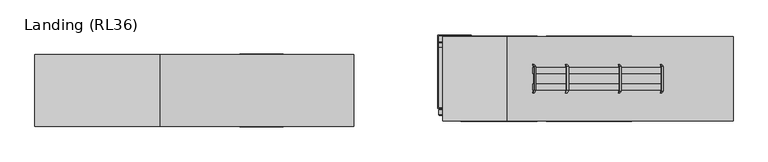
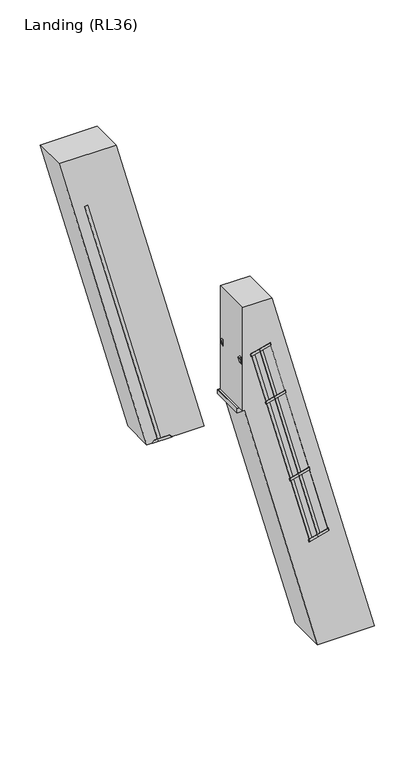
"""IFC4 building model written with IfcOpenShell, lengths in millimetres: proxy geometry, Landing (RL36)."""

from ifc_helpers import new_model, si_unit, point, frame, frame_2d, origin, place, context, project, spatial, polyline, circle_curve, trimmed, segment, composite_curve, outline, extrude, faceted_brep, source, transform, mapped, element, save


def landing_rl36_09e8c49e(model_context):
    return source(origin(), model_context, "Body", "SolidModel", [
        extrude(outline(composite_curve([segment(polyline([(5406.8549495, -1334.7894808), (5423.2756886, -1339.1894046)]), True, "CONTINUOUS"), segment(trimmed(circle_curve(frame_2d((5404.9230876, -1357.565554)), 25.9711538), [point((5423.2756886, -1339.1894046))], [point((5411.6288315, -1382.6560668))], False, "CARTESIAN"), True, "CONTINUOUS"), segment(polyline([(5411.6288315, -1382.6560668), (5395.2080925, -1378.256143), (5406.8549495, -1334.7894808)]), True, "CONTINUOUS")], self_intersect=False)), frame((0.0, -654.5, 0.0), z_axis=(0.0, 1.0, 0.0), x_axis=(0.0, 0.0, 1.0)), (0.0, 0.0, 1.0), 524.0),
        extrude(outline(composite_curve([segment(polyline([(8976.8456537, -2291.365607), (8993.2663928, -2295.7655308)]), True, "CONTINUOUS"), segment(trimmed(circle_curve(frame_2d((8974.9137918, -2314.1416802)), 25.9711538), [point((8993.2663928, -2295.7655308))], [point((8981.6195357, -2339.232193))], False, "CARTESIAN"), True, "CONTINUOUS"), segment(polyline([(8981.6195357, -2339.232193), (8965.1987967, -2334.8322692), (8976.8456537, -2291.365607)]), True, "CONTINUOUS")], self_intersect=False)), frame((0.0, -654.5, 0.0), z_axis=(0.0, 1.0, 0.0), x_axis=(0.0, 0.0, 1.0)), (0.0, 0.0, 1.0), 524.0),
        extrude(outline(composite_curve([segment(polyline([(5132.24028, -1261.2067019), (5148.661019, -1265.6066257)]), True, "CONTINUOUS"), segment(trimmed(circle_curve(frame_2d((5130.308418, -1283.9827751)), 25.9711538), [point((5148.661019, -1265.6066257))], [point((5137.014162, -1309.0732879))], False, "CARTESIAN"), True, "CONTINUOUS"), segment(polyline([(5137.014162, -1309.0732879), (5120.5934229, -1304.6733641), (5132.24028, -1261.2067019)]), True, "CONTINUOUS")], self_intersect=False)), frame((0.0, -654.5, 0.0), z_axis=(0.0, 1.0, 0.0), x_axis=(0.0, 0.0, 1.0)), (0.0, 0.0, 1.0), 524.0),
        extrude(outline(polyline([(-38.0, 0.0), (0.0, 0.0), (0.0, -58.0), (-38.0, -58.0), (-38.0, 0.0)])), frame((-1223.8698986, -130.5, 5018.0115046), z_axis=(-0.25881904510250986, 0.0, 0.9659258262890712), x_axis=(0.0, -1.0, 0.0)), (0.0, 0.0, 1.0), 5180.2283665),
        extrude(outline(polyline([(-38.0, 0.0), (0.0, 0.0), (0.0, -58.0), (-38.0, -58.0), (-38.0, 0.0)])), frame((-1223.8698986, -692.5, 5018.0115046), z_axis=(-0.25881904510250986, 0.0, 0.9659258262890712), x_axis=(0.0, -1.0, 0.0)), (0.0, 0.0, 1.0), 5180.2283665),
        faceted_brep([(-1029.0667397, -696.0, 5000.0), (-1029.0667397, -643.0, 5000.0), (-1029.0667397, -643.0, 5003.0), (-1029.0667397, -693.0, 5003.0), (-1029.0667397, -696.0, 5003.0), (-1389.0667397, -693.0, 5003.0), (-1389.0667397, -643.0, 5003.0), (-1389.0667397, -643.0, 5000.0), (-1389.0667397, -696.0, 5000.0), (-1389.0667397, -696.0, 5003.0), (-1076.0667397, -693.0, 5050.0), (-1342.0667397, -693.0, 5050.0), (-1342.0667397, -696.0, 5050.0), (-1076.0667397, -696.0, 5050.0)], [[[0, 1, 2, 3, 4]], [[5, 6, 7, 8, 9]], [[10, 11, 12, 13]], [[8, 0, 4, 13, 12, 9]], [[1, 0, 8, 7]], [[2, 1, 7, 6]], [[3, 2, 6, 5]], [[3, 5, 11, 10]], [[5, 9, 12, 11]], [[4, 3, 10, 13]]]),
        faceted_brep([(-1029.0667397, -92.0, 5003.0), (-1029.0667397, -142.0, 5003.0), (-1029.0667397, -142.0, 5000.0), (-1029.0667397, -89.0, 5000.0), (-1029.0667397, -89.0, 5003.0), (-1389.0667397, -89.0, 5000.0), (-1389.0667397, -142.0, 5000.0), (-1389.0667397, -142.0, 5003.0), (-1389.0667397, -92.0, 5003.0), (-1389.0667397, -89.0, 5003.0), (-1342.0667397, -89.0, 5050.0), (-1076.0667397, -89.0, 5050.0), (-1342.0667397, -92.0, 5050.0), (-1076.0667397, -92.0, 5050.0)], [[[0, 1, 2, 3, 4]], [[5, 6, 7, 8, 9]], [[1, 0, 8, 7]], [[2, 1, 7, 6]], [[3, 2, 6, 5]], [[3, 5, 9, 10, 11, 4]], [[11, 10, 12, 13]], [[8, 0, 13, 12]], [[9, 8, 12, 10]], [[0, 4, 11, 13]]]),
        extrude(outline(polyline([(0.0, 0.0), (50.0000001, 0.0), (50.0000001, -12.0), (0.0, -12.0), (0.0, 0.0)])), frame((1723.2241422, -643.5, 2104.1512779), z_axis=(-0.2588190451025228, 0.0, 0.9659258262890679), x_axis=(-0.9659258262890679, 0.0, -0.2588190451025228)), (0.0, 0.0, 1.0), 4147.1822742),
        extrude(outline(polyline([(155.141329, 0.0), (205.141329, 0.0), (205.141329, -12.0), (155.141329, -12.0), (155.141329, 0.0)])), frame((1723.2241422, -643.5, 2104.1512779), z_axis=(-0.2588190451025228, 0.0, 0.9659258262890679), x_axis=(-0.9659258262890679, 0.0, -0.2588190451025228)), (0.0, 0.0, 1.0), 4147.1822742),
        extrude(outline(polyline([(-689.6938017, 0.0), (-508.9999999, 0.0), (-326.6307118, -82.9303487), (-125.331423, -385.8857785), (-123.1191169, -480.465669), (-65.9701383, -566.4748818), (-70.9675427, -569.7954163), (-129.0768962, -482.3408393), (-131.2892023, -387.7609487), (-330.6777006, -87.6812588), (-510.3001578, -6.0), (-687.8821736, -6.0), (-851.4445075, -114.6792916), (-920.2481735, -278.3907082), (-914.5411146, -475.6303711), (-715.1526163, -775.7100611), (-628.8173361, -814.3942878), (-570.7079827, -901.8488647), (-575.7053871, -905.1693992), (-632.8543656, -819.1601865), (-719.1896458, -780.4759598), (-920.4889347, -477.52053), (-926.2832673, -277.2646295), (-856.2739484, -110.6844829), (-689.6938017, 0.0)])), frame((1412.9810883, -967.4464732, 3417.1861835), z_axis=(-0.25881904510252274, 0.0, 0.9659258262890678), x_axis=(-0.5345650026725318, -0.8329007332923322, -0.14323626076804516)), (0.0, 0.0, 1.0), 50.0),
        extrude(outline(polyline([(-689.6938017, 0.0), (-509.0, 1e-07), (-326.6307118, -82.9303487), (-125.331423, -385.8857784), (-123.1191169, -480.465669), (-65.9701383, -566.4748818), (-70.9675427, -569.7954163), (-129.0768962, -482.3408392), (-131.2892023, -387.7609487), (-330.6777006, -87.6812587), (-510.3001578, -6.0), (-687.8821737, -5.9999999), (-851.4445076, -114.6792916), (-920.2481735, -278.3907081), (-914.5411146, -475.630371), (-715.1526164, -775.710061), (-628.8173362, -814.3942877), (-570.7079827, -901.8488647), (-575.7053871, -905.1693992), (-632.8543657, -819.1601864), (-719.1896459, -780.4759597), (-920.4889347, -477.52053), (-926.2832674, -277.2646294), (-856.2739484, -110.6844828), (-689.6938017, 0.0)])), frame((973.3533521, -967.4464732, 5057.8992312), z_axis=(-0.25881904510252285, 0.0, 0.9659258262890679), x_axis=(-0.5345650026725322, -0.832900733292332, -0.14323626076804527)), (0.0, 0.0, 1.0), 50.0),
        extrude(outline(polyline([(273.0, 0.0), (423.5, -100.0), (529.5, -270.0), (529.5, -633.7353379), (479.0, -713.735338), (479.0, -817.0), (473.0, -817.0), (473.0, -712.0), (523.5, -632.0), (523.5, -271.7173421), (419.0965631, -104.2778679), (271.1883719, -6.0), (74.8116281, -6.0), (-73.0965631, -104.2778679), (-177.5, -271.7173421), (-177.5, -632.0), (-127.0, -712.0), (-127.0, -817.0), (-133.0, -817.0), (-133.0, -713.735338), (-183.5, -633.7353379), (-183.5, -270.0), (-77.5, -100.0), (73.0, 0.0), (273.0, 0.0)])), frame((2130.7083276, -120.0, 2213.3363363), z_axis=(-0.2588190451025228, 0.0, 0.9659258262890679), x_axis=(0.0, -1.0, 0.0)), (0.0, 0.0, 1.0), 50.0),
        extrude(outline(polyline([(-6.613021, 0.0), (5.3869789, 0.0), (5.3869789, -50.0), (-6.613021, -50.0), (-6.613021, 0.0)])), frame((2118.5250848, -386.1883719, 2210.0718462), z_axis=(-0.2588190451025228, 0.0, 0.9659258262890679), x_axis=(-0.9659258262890679, 0.0, -0.2588190451025228)), (0.0, 0.0, 1.0), 4147.1822742),
        extrude(outline(polyline([(218.7828094, 218.028353), (212.433594, 228.2110571), (254.8615278, 254.6661216), (261.2107432, 244.4834176), (218.7828094, 218.028353)])), frame((2118.5250848, -386.1883719, 2210.0718462), z_axis=(-0.2588190451025228, 0.0, 0.9659258262890679), x_axis=(-0.9659258262890679, 0.0, -0.2588190451025228)), (0.0, 0.0, 1.0), 4147.1822742),
        extrude(outline(polyline([(61.2266141, 107.0986509), (88.8977348, 148.7436876), (98.8925436, 142.1026186), (71.2214229, 100.4575819), (61.2266141, 107.0986509)])), frame((2118.5250848, -386.1883719, 2210.0718462), z_axis=(-0.2588190451025228, 0.0, 0.9659258262890679), x_axis=(-0.9659258262890679, 0.0, -0.2588190451025228)), (0.0, 0.0, 1.0), 4147.1822742),
        extrude(outline(polyline([(-6.613021, -186.3767438), (-6.613021, -136.3767438), (5.3869789, -136.3767438), (5.3869789, -186.3767438), (-6.613021, -186.3767438)])), frame((2118.5250848, -386.1883719, 2210.0718462), z_axis=(-0.2588190451025228, 0.0, 0.9659258262890679), x_axis=(-0.9659258262890679, 0.0, -0.2588190451025228)), (0.0, 0.0, 1.0), 4147.1822742),
        extrude(outline(polyline([(218.7828094, -404.4050968), (261.2107432, -430.8601614), (254.8615278, -441.0428654), (212.433594, -414.5878009), (218.7828094, -404.4050968)])), frame((2118.5250848, -386.1883719, 2210.0718462), z_axis=(-0.2588190451025228, 0.0, 0.9659258262890679), x_axis=(-0.9659258262890679, 0.0, -0.2588190451025228)), (0.0, 0.0, 1.0), 4147.1822742),
        extrude(outline(polyline([(61.2266141, -293.4753947), (71.2214229, -286.8343257), (98.8925436, -328.4793624), (88.8977348, -335.1204314), (61.2266141, -293.4753947)])), frame((2118.5250848, -386.1883719, 2210.0718462), z_axis=(-0.2588190451025228, 0.0, 0.9659258262890679), x_axis=(-0.9659258262890679, 0.0, -0.2588190451025228)), (0.0, 0.0, 1.0), 4147.1822742),
        extrude(outline(polyline([(409.24565, -443.6883719), (409.24565, -431.6883719), (459.2456501, -431.6883719), (459.2456501, -443.6883719), (409.24565, -443.6883719)])), frame((2118.5250848, -386.1883719, 2210.0718462), z_axis=(-0.2588190451025228, 0.0, 0.9659258262890679), x_axis=(-0.9659258262890679, 0.0, -0.2588190451025228)), (0.0, 0.0, 1.0), 4147.1822742),
        extrude(outline(polyline([(564.3869789, -443.6883719), (564.3869789, -431.6883719), (614.3869789, -431.6883719), (614.3869789, -443.6883719), (564.3869789, -443.6883719)])), frame((2118.5250848, -386.1883719, 2210.0718462), z_axis=(-0.2588190451025228, 0.0, 0.9659258262890679), x_axis=(-0.9659258262890679, 0.0, -0.2588190451025228)), (0.0, 0.0, 1.0), 4147.1822742),
        extrude(outline(polyline([(-689.6938017, 0.0), (-508.9999999, 0.0), (-326.6307118, -82.9303487), (-125.331423, -385.8857785), (-123.1191169, -480.465669), (-65.9701383, -566.4748818), (-70.9675427, -569.7954163), (-129.0768962, -482.3408393), (-131.2892023, -387.7609487), (-330.6777006, -87.6812588), (-510.3001578, -6.0), (-687.8821736, -6.0), (-851.4445075, -114.6792916), (-920.2481735, -278.3907082), (-914.5411146, -475.6303711), (-715.1526163, -775.7100611), (-628.8173361, -814.3942878), (-570.7079827, -901.8488647), (-575.7053871, -905.1693992), (-632.8543656, -819.1601865), (-719.1896458, -780.4759598), (-920.4889347, -477.52053), (-926.2832673, -277.2646295), (-856.2739484, -110.6844828), (-689.6938017, 0.0)])), frame((701.5933548, -967.4464732, 6072.1213488), z_axis=(-0.2588190451025228, 0.0, 0.9659258262890678), x_axis=(-0.534565002672532, -0.832900733292332, -0.14323626076804524)), (0.0, 0.0, 1.0), 50.0),
        extrude(outline(composite_curve([segment(polyline([(4696.368867, 668.7367454), (4712.7896061, 664.3368216)]), True, "CONTINUOUS"), segment(trimmed(circle_curve(frame_2d((4694.4370051, 645.9606722)), 25.9711538), [point((4712.7896061, 664.3368216))], [point((4701.1427491, 620.8701594))], False, "CARTESIAN"), True, "CONTINUOUS"), segment(polyline([(4701.1427491, 620.8701594), (4684.72201, 625.2700832), (4696.368867, 668.7367454)]), True, "CONTINUOUS")], self_intersect=False)), frame((0.0, -555.0, 0.0), z_axis=(0.0, 1.0, 0.0), x_axis=(0.0, 0.0, 1.0)), (0.0, 0.0, 1.0), 524.0),
        extrude(outline(composite_curve([segment(polyline([(4415.8920803, 743.8902739), (4432.3128194, 739.4903501)]), True, "CONTINUOUS"), segment(trimmed(circle_curve(frame_2d((4413.9602184, 721.1142007)), 25.9711538), [point((4432.3128194, 739.4903501))], [point((4420.6659624, 696.0236879))], False, "CARTESIAN"), True, "CONTINUOUS"), segment(polyline([(4420.6659624, 696.0236879), (4404.2452233, 700.4236117), (4415.8920803, 743.8902739)]), True, "CONTINUOUS")], self_intersect=False)), frame((0.0, -555.0, 0.0), z_axis=(0.0, 1.0, 0.0), x_axis=(0.0, 0.0, 1.0)), (0.0, 0.0, 1.0), 524.0),
        extrude(outline(composite_curve([segment(polyline([(4135.4152937, 819.0438024), (4151.8360327, 814.6438786)]), True, "CONTINUOUS"), segment(trimmed(circle_curve(frame_2d((4133.4834317, 796.2677292)), 25.9711538), [point((4151.8360327, 814.6438786))], [point((4140.1891757, 771.1772164))], False, "CARTESIAN"), True, "CONTINUOUS"), segment(polyline([(4140.1891757, 771.1772164), (4123.7684366, 775.5771402), (4135.4152937, 819.0438024)]), True, "CONTINUOUS")], self_intersect=False)), frame((0.0, -555.0, 0.0), z_axis=(0.0, 1.0, 0.0), x_axis=(0.0, 0.0, 1.0)), (0.0, 0.0, 1.0), 524.0),
        extrude(outline(composite_curve([segment(polyline([(3854.938507, 894.1973308), (3871.359246, 889.7974071)]), True, "CONTINUOUS"), segment(trimmed(circle_curve(frame_2d((3853.006645, 871.4212576)), 25.9711538), [point((3871.359246, 889.7974071))], [point((3859.712389, 846.3307449))], False, "CARTESIAN"), True, "CONTINUOUS"), segment(polyline([(3859.712389, 846.3307449), (3843.2916499, 850.7306687), (3854.938507, 894.1973308)]), True, "CONTINUOUS")], self_intersect=False)), frame((0.0, -555.0, 0.0), z_axis=(0.0, 1.0, 0.0), x_axis=(0.0, 0.0, 1.0)), (0.0, 0.0, 1.0), 524.0),
        extrude(outline(composite_curve([segment(polyline([(3574.4617203, 969.3508593), (3590.8824593, 964.9509356)]), True, "CONTINUOUS"), segment(trimmed(circle_curve(frame_2d((3572.5298583, 946.5747861)), 25.9711538), [point((3590.8824593, 964.9509356))], [point((3579.2356023, 921.4842734))], False, "CARTESIAN"), True, "CONTINUOUS"), segment(polyline([(3579.2356023, 921.4842734), (3562.8148632, 925.8841972), (3574.4617203, 969.3508593)]), True, "CONTINUOUS")], self_intersect=False)), frame((0.0, -555.0, 0.0), z_axis=(0.0, 1.0, 0.0), x_axis=(0.0, 0.0, 1.0)), (0.0, 0.0, 1.0), 524.0),
        extrude(outline(composite_curve([segment(polyline([(3293.9849336, 1044.5043878), (3310.4056726, 1040.1044641)]), True, "CONTINUOUS"), segment(trimmed(circle_curve(frame_2d((3292.0530716, 1021.7283146)), 25.9711538), [point((3310.4056726, 1040.1044641))], [point((3298.7588156, 996.6378019))], False, "CARTESIAN"), True, "CONTINUOUS"), segment(polyline([(3298.7588156, 996.6378019), (3282.3380765, 1001.0377256), (3293.9849336, 1044.5043878)]), True, "CONTINUOUS")], self_intersect=False)), frame((0.0, -555.0, 0.0), z_axis=(0.0, 1.0, 0.0), x_axis=(0.0, 0.0, 1.0)), (0.0, 0.0, 1.0), 524.0),
        extrude(outline(composite_curve([segment(polyline([(3013.5081469, 1119.6579163), (3029.9288859, 1115.2579925)]), True, "CONTINUOUS"), segment(trimmed(circle_curve(frame_2d((3011.5762849, 1096.8818431)), 25.9711538), [point((3029.9288859, 1115.2579925))], [point((3018.2820289, 1071.7913304))], False, "CARTESIAN"), True, "CONTINUOUS"), segment(polyline([(3018.2820289, 1071.7913304), (3001.8612899, 1076.1912541), (3013.5081469, 1119.6579163)]), True, "CONTINUOUS")], self_intersect=False)), frame((0.0, -555.0, 0.0), z_axis=(0.0, 1.0, 0.0), x_axis=(0.0, 0.0, 1.0)), (0.0, 0.0, 1.0), 524.0),
        extrude(outline(composite_curve([segment(polyline([(2733.0313602, 1194.8114448), (2749.4520992, 1190.411521)]), True, "CONTINUOUS"), segment(trimmed(circle_curve(frame_2d((2731.0994982, 1172.0353716)), 25.9711538), [point((2749.4520992, 1190.411521))], [point((2737.8052422, 1146.9448589))], False, "CARTESIAN"), True, "CONTINUOUS"), segment(polyline([(2737.8052422, 1146.9448589), (2721.3845032, 1151.3447826), (2733.0313602, 1194.8114448)]), True, "CONTINUOUS")], self_intersect=False)), frame((0.0, -555.0, 0.0), z_axis=(0.0, 1.0, 0.0), x_axis=(0.0, 0.0, 1.0)), (0.0, 0.0, 1.0), 524.0),
        extrude(outline(composite_curve([segment(polyline([(2452.5545735, 1269.9649733), (2468.9753126, 1265.5650495)]), True, "CONTINUOUS"), segment(trimmed(circle_curve(frame_2d((2450.6227115, 1247.1889001)), 25.9711538), [point((2468.9753126, 1265.5650495))], [point((2457.3284555, 1222.0983873))], False, "CARTESIAN"), True, "CONTINUOUS"), segment(polyline([(2457.3284555, 1222.0983873), (2440.9077165, 1226.4983111), (2452.5545735, 1269.9649733)]), True, "CONTINUOUS")], self_intersect=False)), frame((0.0, -555.0, 0.0), z_axis=(0.0, 1.0, 0.0), x_axis=(0.0, 0.0, 1.0)), (0.0, 0.0, 1.0), 524.0),
        extrude(outline(composite_curve([segment(polyline([(2172.0777868, 1345.1185018), (2188.4985259, 1340.718578)]), True, "CONTINUOUS"), segment(trimmed(circle_curve(frame_2d((2170.1459249, 1322.3424286)), 25.9711538), [point((2188.4985259, 1340.718578))], [point((2176.8516688, 1297.2519158))], False, "CARTESIAN"), True, "CONTINUOUS"), segment(polyline([(2176.8516688, 1297.2519158), (2160.4309298, 1301.6518396), (2172.0777868, 1345.1185018)]), True, "CONTINUOUS")], self_intersect=False)), frame((0.0, -555.0, 0.0), z_axis=(0.0, 1.0, 0.0), x_axis=(0.0, 0.0, 1.0)), (0.0, 0.0, 1.0), 524.0),
        extrude(outline(composite_curve([segment(polyline([(1891.6010001, 1420.2720303), (1908.0217392, 1415.8721065)]), True, "CONTINUOUS"), segment(trimmed(circle_curve(frame_2d((1889.6691382, 1397.4959571)), 25.9711538), [point((1908.0217392, 1415.8721065))], [point((1896.3748821, 1372.4054443))], False, "CARTESIAN"), True, "CONTINUOUS"), segment(polyline([(1896.3748821, 1372.4054443), (1879.9541431, 1376.8053681), (1891.6010001, 1420.2720303)]), True, "CONTINUOUS")], self_intersect=False)), frame((0.0, -555.0, 0.0), z_axis=(0.0, 1.0, 0.0), x_axis=(0.0, 0.0, 1.0)), (0.0, 0.0, 1.0), 524.0),
        extrude(outline(composite_curve([segment(polyline([(1611.1242134, 1495.4255588), (1627.5449525, 1491.025635)]), True, "CONTINUOUS"), segment(trimmed(circle_curve(frame_2d((1609.1923515, 1472.6494856)), 25.9711538), [point((1627.5449525, 1491.025635))], [point((1615.8980955, 1447.5589728))], False, "CARTESIAN"), True, "CONTINUOUS"), segment(polyline([(1615.8980955, 1447.5589728), (1599.4773564, 1451.9588966), (1611.1242134, 1495.4255588)]), True, "CONTINUOUS")], self_intersect=False)), frame((0.0, -555.0, 0.0), z_axis=(0.0, 1.0, 0.0), x_axis=(0.0, 0.0, 1.0)), (0.0, 0.0, 1.0), 524.0),
        extrude(outline(composite_curve([segment(polyline([(1330.6474267, 1570.5790873), (1347.0681658, 1566.1791635)]), True, "CONTINUOUS"), segment(trimmed(circle_curve(frame_2d((1328.7155648, 1547.803014)), 25.9711538), [point((1347.0681658, 1566.1791635))], [point((1335.4213088, 1522.7125013))], False, "CARTESIAN"), True, "CONTINUOUS"), segment(polyline([(1335.4213088, 1522.7125013), (1319.0005697, 1527.1124251), (1330.6474267, 1570.5790873)]), True, "CONTINUOUS")], self_intersect=False)), frame((0.0, -555.0, 0.0), z_axis=(0.0, 1.0, 0.0), x_axis=(0.0, 0.0, 1.0)), (0.0, 0.0, 1.0), 524.0),
        extrude(outline(composite_curve([segment(polyline([(1050.1706401, 1645.7326157), (1066.5913791, 1641.332692)]), True, "CONTINUOUS"), segment(trimmed(circle_curve(frame_2d((1048.2387781, 1622.9565425)), 25.9711538), [point((1066.5913791, 1641.332692))], [point((1054.9445221, 1597.8660298))], False, "CARTESIAN"), True, "CONTINUOUS"), segment(polyline([(1054.9445221, 1597.8660298), (1038.523783, 1602.2659536), (1050.1706401, 1645.7326157)]), True, "CONTINUOUS")], self_intersect=False)), frame((0.0, -555.0, 0.0), z_axis=(0.0, 1.0, 0.0), x_axis=(0.0, 0.0, 1.0)), (0.0, 0.0, 1.0), 524.0),
        extrude(outline(composite_curve([segment(polyline([(769.6938534, 1720.8861442), (786.1145924, 1716.4862205)]), True, "CONTINUOUS"), segment(trimmed(circle_curve(frame_2d((767.7619914, 1698.110071)), 25.9711538), [point((786.1145924, 1716.4862205))], [point((774.4677354, 1673.0195583))], False, "CARTESIAN"), True, "CONTINUOUS"), segment(polyline([(774.4677354, 1673.0195583), (758.0469963, 1677.419482), (769.6938534, 1720.8861442)]), True, "CONTINUOUS")], self_intersect=False)), frame((0.0, -555.0, 0.0), z_axis=(0.0, 1.0, 0.0), x_axis=(0.0, 0.0, 1.0)), (0.0, 0.0, 1.0), 524.0),
        extrude(outline(composite_curve([segment(polyline([(489.2170667, 1796.0396727), (505.6378057, 1791.639749)]), True, "CONTINUOUS"), segment(trimmed(circle_curve(frame_2d((487.2852047, 1773.2635995)), 25.9711538), [point((505.6378057, 1791.639749))], [point((493.9909487, 1748.1730868))], False, "CARTESIAN"), True, "CONTINUOUS"), segment(polyline([(493.9909487, 1748.1730868), (477.5702096, 1752.5730105), (489.2170667, 1796.0396727)]), True, "CONTINUOUS")], self_intersect=False)), frame((0.0, -555.0, 0.0), z_axis=(0.0, 1.0, 0.0), x_axis=(0.0, 0.0, 1.0)), (0.0, 0.0, 1.0), 524.0),
        extrude(outline(composite_curve([segment(polyline([(4976.8456537, 593.5832169), (4993.2663928, 589.1832931)]), True, "CONTINUOUS"), segment(trimmed(circle_curve(frame_2d((4974.9137918, 570.8071437)), 25.9711538), [point((4993.2663928, 589.1832931))], [point((4981.6195357, 545.7166309))], False, "CARTESIAN"), True, "CONTINUOUS"), segment(polyline([(4981.6195357, 545.7166309), (4965.1987967, 550.1165547), (4976.8456537, 593.5832169)]), True, "CONTINUOUS")], self_intersect=False)), frame((0.0, -555.0, 0.0), z_axis=(0.0, 1.0, 0.0), x_axis=(0.0, 0.0, 1.0)), (0.0, 0.0, 1.0), 524.0),
        extrude(outline(composite_curve([segment(polyline([(208.74028, 1871.1932012), (225.161019, 1866.7932774)]), True, "CONTINUOUS"), segment(trimmed(circle_curve(frame_2d((206.808418, 1848.417128)), 25.9711538), [point((225.161019, 1866.7932774))], [point((213.514162, 1823.3266153))], False, "CARTESIAN"), True, "CONTINUOUS"), segment(polyline([(213.514162, 1823.3266153), (197.0934229, 1827.726539), (208.74028, 1871.1932012)]), True, "CONTINUOUS")], self_intersect=False)), frame((0.0, -555.0, 0.0), z_axis=(0.0, 1.0, 0.0), x_axis=(0.0, 0.0, 1.0)), (0.0, 0.0, 1.0), 524.0),
        extrude(outline(polyline([(0.0, -58.0000001), (0.0, 0.0), (524.0, 0.0), (524.0, -58.0000001), (0.0, -58.0000001)])), frame((411.700289, -31.0, 5680.7560532), z_axis=(-0.2588190451025228, 0.0, 0.9659258262890679), x_axis=(0.0, -1.0, 0.0)), (0.0, 0.0, 1.0), 38.0),
        extrude(outline(polyline([(-38.0, 0.0), (0.0, 0.0), (0.0, -58.0), (-38.0, -58.0), (-38.0, 0.0)])), frame((1908.5300045, -31.0, 94.5115046), z_axis=(-0.2588190451025094, 0.0, 0.9659258262890714), x_axis=(0.0, -1.0, 0.0)), (0.0, 0.0, 1.0), 6136.3059191),
        extrude(outline(polyline([(-38.0, 0.0), (0.0, 0.0), (0.0, -58.0), (-38.0, -58.0), (-38.0, 0.0)])), frame((1908.5300045, -593.0, 94.5115046), z_axis=(-0.2588190451025094, 0.0, 0.9659258262890714), x_axis=(0.0, -1.0, 0.0)), (0.0, 0.0, 1.0), 6136.3059191),
        faceted_brep([(2103.3331634, -596.5, 76.5), (2103.3331634, -543.5, 76.5), (2103.3331634, -543.5, 79.5), (2103.3331634, -593.5, 79.5), (2103.3331634, -596.5, 79.5), (1743.3331634, -593.5, 79.5), (1743.3331634, -543.5, 79.5), (1743.3331634, -543.5, 76.5), (1743.3331634, -596.5, 76.5), (1743.3331634, -596.5, 79.5), (2056.3331634, -593.5, 126.5), (1790.3331634, -593.5, 126.5), (1790.3331634, -596.5, 126.5), (2056.3331634, -596.5, 126.5)], [[[0, 1, 2, 3, 4]], [[5, 6, 7, 8, 9]], [[10, 11, 12, 13]], [[8, 0, 4, 13, 12, 9]], [[1, 0, 8, 7]], [[2, 1, 7, 6]], [[3, 2, 6, 5]], [[3, 5, 11, 10]], [[5, 9, 12, 11]], [[4, 3, 10, 13]]]),
        faceted_brep([(2103.3331634, 7.5, 79.5), (2103.3331634, -42.5, 79.5), (2103.3331634, -42.5, 76.5), (2103.3331634, 10.5, 76.5), (2103.3331634, 10.5, 79.5), (1743.3331634, 10.5, 76.5), (1743.3331634, -42.5, 76.5), (1743.3331634, -42.5, 79.5), (1743.3331634, 7.5, 79.5), (1743.3331634, 10.5, 79.5), (1790.3331634, 10.5, 126.5), (2056.3331634, 10.5, 126.5), (1790.3331634, 7.5, 126.5), (2056.3331634, 7.5, 126.5)], [[[0, 1, 2, 3, 4]], [[5, 6, 7, 8, 9]], [[1, 0, 8, 7]], [[2, 1, 7, 6]], [[3, 2, 6, 5]], [[3, 5, 9, 10, 11, 4]], [[11, 10, 12, 13]], [[8, 0, 13, 12]], [[9, 8, 12, 10]], [[0, 4, 11, 13]]]),
        extrude(outline(polyline([(5000.0, -442.5865952), (11000.0, -2050.2817498), (11000.0, -3093.8401396), (5000.0, -1486.1449851), (5000.0, -442.5865952)])), frame((0.0, -692.5, 0.0), z_axis=(0.0, 1.0, 0.0), x_axis=(0.0, 0.0, 1.0)), (0.0, 0.0, 1.0), 600.0),
        extrude(outline(polyline([(0.0, 2710.3114211), (7000.0, 834.6670741), (7000.0, 296.5853144), (5000.0, 296.5853144), (5000.0, 327.0070691), (0.0, 1666.7530313), (0.0, 2710.3114211)])), frame((0.0, -643.5, 0.0), z_axis=(0.0, 1.0, 0.0), x_axis=(0.0, 0.0, 1.0)), (0.0, 0.0, 1.0), 701.0),
        extrude(outline(polyline([(253.5853144, -541.0), (253.5853144, 72.0), (533.5853144, 72.0), (533.5853144, 66.0), (259.5853144, 66.0), (259.5853144, -535.0), (533.5853144, -535.0), (533.5853144, -541.0), (253.5853144, -541.0)])), frame((0.0, 0.0, 4920.0), z_axis=(0.0, 0.0, 1.0), x_axis=(1.0, 0.0, 0.0)), (0.0, 0.0, 1.0), 80.0),
        extrude(outline(polyline([(259.5853144, 66.0), (409.5853144, 66.0), (409.5853144, -535.0), (259.5853144, -535.0), (259.5853144, 66.0)])), frame((0.0, 0.0, 4995.0), z_axis=(0.0, 0.0, 1.0), x_axis=(1.0, 0.0, 0.0)), (0.0, 0.0, 1.0), 5.0),
    ])


if __name__ == "__main__":
    model = new_model("IFC4")
    model_context = context("Model", 3, world=origin())
    ifc_project = project(units=[si_unit("LENGTHUNIT", "METRE", prefix="MILLI")], contexts=[model_context])
    site = spatial("IfcSite", under=ifc_project)
    building = spatial("IfcBuilding", under=site)
    placement = place(None, origin())
    landing_rl36_shape = landing_rl36_09e8c49e(model_context)
    element("IfcBuildingElementProxy", 1, Name="Landing (RL36)", ObjectType="Landing (RL36)", at=placement, inside=building, context=model_context, shape_type="MappedRepresentation", body=[
        mapped(landing_rl36_shape, transform((0.0, 0.0, 0.0), x_axis=(1.0, 0.0, 0.0), y_axis=(0.0, 1.0, 0.0), z_axis=(0.0, 0.0, 1.0))),
    ])
    save(model, "model.ifc")
